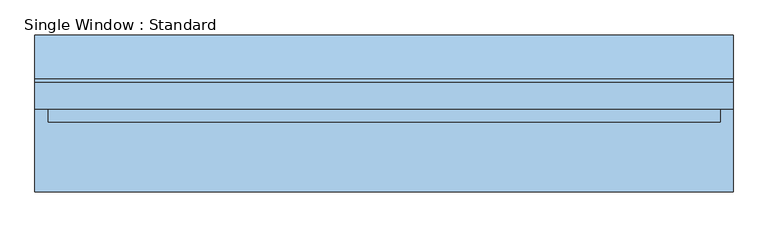
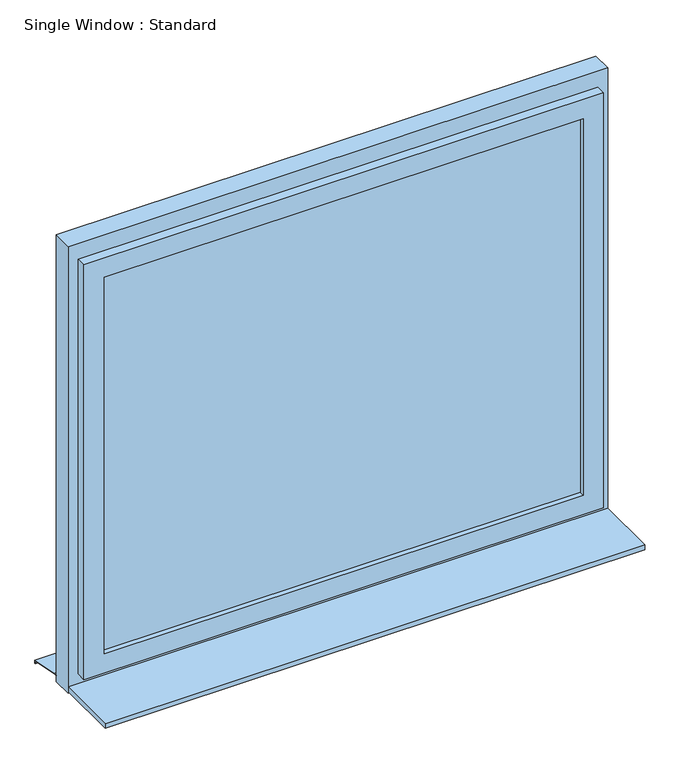
"""IFC4 building model written with IfcOpenShell, lengths in millimetres: window geometry, Single Window : Standard."""

from ifc_helpers import new_model, si_unit, frame, origin, place, context, project, spatial, polyline, outline, extrude, faceted_brep, source, transform, mapped, element, save


def single_window_standard_7e649e5d(model_context):
    return source(origin(), model_context, "Body", "SolidModel", [
        extrude(outline(polyline([(710.0, -5.0), (-710.0, -5.0), (-710.0, 25.0), (710.0, 25.0), (710.0, -5.0)])), frame((0.0, 0.0, 1110.0), z_axis=(0.0, 0.0, 1.0), x_axis=(1.0, 0.0, 0.0)), (0.0, 0.0, 1.0), 1180.0),
        faceted_brep([(770.0, 10.0, 2350.0), (770.0, -20.0, 2350.0), (770.0, -20.0, 1050.0), (770.0, 10.0, 1050.0), (740.0, 40.0, 2320.0), (740.0, 10.0, 2320.0), (740.0, 10.0, 1080.0), (740.0, 40.0, 1080.0), (710.0, -20.0, 2290.0), (710.0, 40.0, 2290.0), (710.0, 40.0, 1110.0), (710.0, -20.0, 1110.0), (-770.0, -20.0, 1050.0), (-770.0, 10.0, 1050.0), (-740.0, 10.0, 1080.0), (-740.0, 40.0, 1080.0), (-710.0, 40.0, 1110.0), (-710.0, -20.0, 1110.0), (-770.0, -20.0, 2350.0), (-770.0, 10.0, 2350.0), (-740.0, 10.0, 2320.0), (-740.0, 40.0, 2320.0), (-710.0, 40.0, 2290.0), (-710.0, -20.0, 2290.0)], [[[0, 1, 2, 3]], [[4, 5, 6, 7]], [[8, 9, 10, 11]], [[3, 2, 12, 13]], [[7, 6, 14, 15]], [[11, 10, 16, 17]], [[13, 12, 18, 19]], [[15, 14, 20, 21]], [[17, 16, 22, 23]], [[19, 18, 1, 0]], [[3, 13, 19, 0], [5, 20, 14, 6]], [[21, 20, 5, 4]], [[7, 15, 21, 4], [9, 22, 16, 10]], [[23, 22, 9, 8]], [[1, 18, 12, 2], [11, 17, 23, 8]]]),
        extrude(outline(polyline([(2400.0, 800.0), (2400.0, -800.0), (1000.0, -800.0), (1000.0, 800.0), (2400.0, 800.0)]), holes=[polyline([(2320.0, 740.0), (1080.0, 740.0), (1080.0, -740.0), (2320.0, -740.0), (2320.0, 740.0)])]), frame((0.0, 10.0, 0.0), z_axis=(0.0, 1.0, 0.0), x_axis=(0.0, 0.0, 1.0)), (0.0, 0.0, 1.0), 60.0),
        extrude(outline(polyline([(80.0221543, 1020.0), (180.0, 1000.0), (180.0, 990.0), (178.0, 990.0), (178.0, 998.3604634), (79.8240723, 1018.0), (70.0, 1018.0), (70.0, 1020.0), (80.0221543, 1020.0)])), frame((-800.0, 0.0, 0.0), z_axis=(1.0, 0.0, 0.0), x_axis=(0.0, 1.0, 0.0)), (0.0, 0.0, 1.0), 1600.0),
        extrude(outline(polyline([(-800.0, -180.0), (-800.0, 10.0), (800.0, 10.0), (800.0, -180.0), (-800.0, -180.0)])), frame((0.0, 0.0, 1005.0), z_axis=(0.0, 0.0, 1.0), x_axis=(1.0, 0.0, 0.0)), (0.0, 0.0, 1.0), 15.0),
    ])


if __name__ == "__main__":
    model = new_model("IFC4")
    model_context = context("Model", 3, world=origin())
    ifc_project = project(units=[si_unit("LENGTHUNIT", "METRE", prefix="MILLI")], contexts=[model_context])
    site = spatial("IfcSite", under=ifc_project)
    building = spatial("IfcBuilding", under=site)
    placement = place(None, origin())
    single_window_standard_shape = single_window_standard_7e649e5d(model_context)
    element("IfcWindow", 1, ObjectType="Single Window : Standard", at=placement, inside=building, context=model_context, shape_type="MappedRepresentation", body=[
        mapped(single_window_standard_shape, transform((0.0, 0.0, 0.0), x_axis=(1.0, 0.0, 0.0), y_axis=(0.0, 1.0, 0.0), z_axis=(0.0, 0.0, 1.0))),
    ])
    save(model, "model.ifc")
